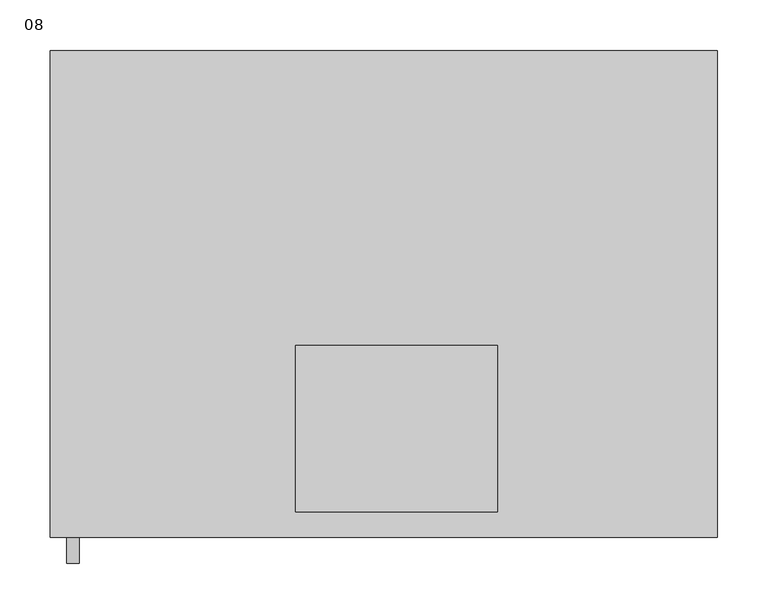
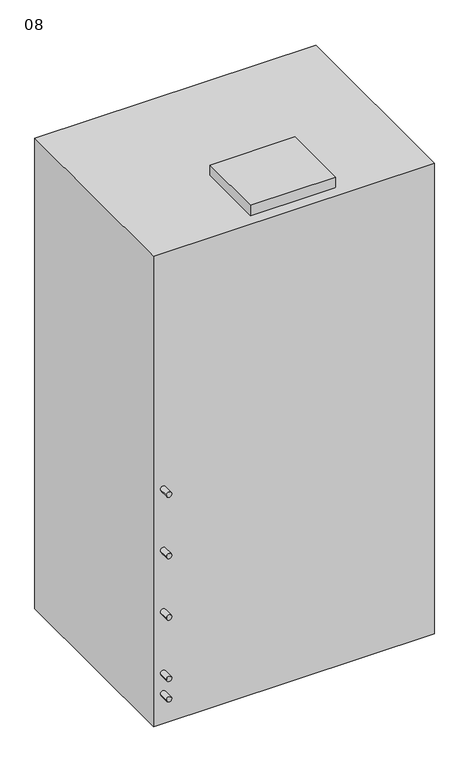
"""IFC4 building model written with IfcOpenShell, lengths in millimetres: proxy geometry, 08."""

import ifcopenshell
import ifcopenshell.guid

model = None  # the IFC model being written
_history = None  # IfcOwnerHistory: only IFC2X3 demands one
_inside = {}  # id of a spatial element -> (the spatial element, [elements in it])
_under = {}  # id of a project, library or spatial element -> (it, [spatial elements below it])
_declared = {}  # id of a project -> (the project, [libraries it declares])
_typed = {}  # id of a type object -> (the type object, [elements of that type])
_made_of = {}  # id of a material, layer set ... -> (it, [elements and type objects made of it])


def new_model(schema):
    """Start an empty IFC model of exactly this schema.

    Asked for "IFC4X3", IfcOpenShell would pick the latest addendum, in which some entities
    have other attributes; the version numbers below select the first issue.
    IFC2X3 requires an IfcOwnerHistory on every rooted entity: one is made here for all.
    """
    global model, _history
    if schema == "IFC4X3":
        model = ifcopenshell.file(schema_version=(4, 3, 0, 0))
    else:
        model = ifcopenshell.file(schema=schema)
    _inside.clear()
    _under.clear()
    _declared.clear()
    _typed.clear()
    _made_of.clear()
    _history = None
    if model.schema == "IFC2X3":
        org = make("IfcOrganization", Name="unknown")
        user = make(
            "IfcPersonAndOrganization",
            ThePerson=make("IfcPerson", FamilyName="unknown"),
            TheOrganization=org,
        )
        app = make(
            "IfcApplication",
            ApplicationDeveloper=org,
            Version="unknown",
            ApplicationFullName="unknown",
            ApplicationIdentifier="unknown",
        )
        _history = make(
            "IfcOwnerHistory",
            OwningUser=user,
            OwningApplication=app,
            ChangeAction="ADDED",
            CreationDate=0,
        )
    return model


def make(cls, **values):
    """One entity of the class cls with the attributes given. An attribute that is None is left unset."""
    return model.create_entity(
        cls, **{name: value for name, value in values.items() if value is not None}
    )


def rooted(cls, **values):
    """An entity with a GlobalId (a new one), such as an element, a storey or a relation."""
    return make(cls, GlobalId=ifcopenshell.guid.new(), OwnerHistory=_history, **values)


def si_unit(unit_type, name, prefix=None):
    """IfcSIUnit, for example si_unit("LENGTHUNIT", "METRE", prefix="MILLI")."""
    return make("IfcSIUnit", UnitType=unit_type, Prefix=prefix, Name=name)


def assignment(units):
    """IfcUnitAssignment: the units of a project."""
    return None if units is None else make("IfcUnitAssignment", Units=units)


def point(xyz):
    """IfcCartesianPoint."""
    return None if xyz is None else make("IfcCartesianPoint", Coordinates=xyz)


def direction(xyz):
    """IfcDirection."""
    return None if xyz is None else make("IfcDirection", DirectionRatios=xyz)


def frame(location, z_axis=None, x_axis=None):
    """IfcAxis2Placement3D, a coordinate frame: its origin and axes. An axis left out is left unset."""
    return make(
        "IfcAxis2Placement3D",
        Location=point(location),
        Axis=direction(z_axis),
        RefDirection=direction(x_axis),
    )


def frame_2d(location, x_axis=None):
    """IfcAxis2Placement2D, a coordinate frame in the plane: its origin and x axis."""
    return make(
        "IfcAxis2Placement2D", Location=point(location), RefDirection=direction(x_axis)
    )


def origin():
    """The frame at (0, 0, 0) with its axes left unset."""
    return frame((0.0, 0.0, 0.0))


def origin_with_axes():
    """The frame at (0, 0, 0) with the z axis (0, 0, 1) and the x axis (1, 0, 0) written out."""
    return frame((0.0, 0.0, 0.0), z_axis=(0.0, 0.0, 1.0), x_axis=(1.0, 0.0, 0.0))


def place(relative_to, where):
    """IfcLocalPlacement: puts the frame where relative to a parent placement (None: the world)."""
    return make(
        "IfcLocalPlacement", PlacementRelTo=relative_to, RelativePlacement=where
    )


def context(
    kind, dimensions, precision=None, world=None, true_north=None, identifier=None
):
    """IfcGeometricRepresentationContext, for example the 3D "Model" context."""
    return make(
        "IfcGeometricRepresentationContext",
        ContextIdentifier=identifier,
        ContextType=kind,
        CoordinateSpaceDimension=dimensions,
        Precision=precision,
        WorldCoordinateSystem=world,
        TrueNorth=true_north,
    )


def project(units=None, contexts=None):
    """IfcProject with its units and contexts."""
    return rooted(
        "IfcProject",
        Name="project",
        RepresentationContexts=contexts,
        UnitsInContext=assignment(units),
    )


def spatial(cls, under=None, at=None, **own):
    """A site, building, storey or space (cls), placed at a placement, below another one or the project."""
    s = rooted(cls, ObjectPlacement=at, **own)
    if under is not None:
        _under.setdefault(under.id(), (under, []))[1].append(s)
    return s


def polyline(points):
    """IfcPolyline through the points."""
    return make("IfcPolyline", Points=[point(p) for p in points])


def circle_curve(where, radius):
    """IfcCircle in the frame where."""
    return make("IfcCircle", Position=where, Radius=radius)


def trimmed(basis, trim1, trim2, sense, master):
    """IfcTrimmedCurve: the piece of a basis curve between two trims."""
    return make(
        "IfcTrimmedCurve",
        BasisCurve=basis,
        Trim1=trim1,
        Trim2=trim2,
        SenseAgreement=sense,
        MasterRepresentation=master,
    )


def segment(curve, same_sense, transition):
    """IfcCompositeCurveSegment."""
    return make(
        "IfcCompositeCurveSegment",
        Transition=transition,
        SameSense=same_sense,
        ParentCurve=curve,
    )


def composite_curve(segments, self_intersect=None):
    """IfcCompositeCurve: segments joined end to end."""
    return make("IfcCompositeCurve", Segments=segments, SelfIntersect=self_intersect)


def outline(outer, holes=None, kind="AREA"):
    """IfcArbitraryClosedProfileDef: a profile drawn as a closed curve; with holes, ...WithVoids."""
    if holes is None:
        return make("IfcArbitraryClosedProfileDef", ProfileType=kind, OuterCurve=outer)
    return make(
        "IfcArbitraryProfileDefWithVoids",
        ProfileType=kind,
        OuterCurve=outer,
        InnerCurves=holes,
    )


def extrude(swept, where, along, depth):
    """IfcExtrudedAreaSolid: the profile swept, set in the frame where, extruded along a direction by depth."""
    return make(
        "IfcExtrudedAreaSolid",
        SweptArea=swept,
        Position=where,
        ExtrudedDirection=direction(along),
        Depth=depth,
    )


def shape(context_of_items, identifier, shape_type, items):
    """IfcShapeRepresentation: the items that make up one representation, for example the "Body"."""
    return make(
        "IfcShapeRepresentation",
        ContextOfItems=context_of_items,
        RepresentationIdentifier=identifier,
        RepresentationType=shape_type,
        Items=items,
    )


def source(mapping_origin, context_of_items, identifier, shape_type, items):
    """IfcRepresentationMap: a shape defined once, which mapped items show again and again."""
    return make(
        "IfcRepresentationMap",
        MappingOrigin=mapping_origin,
        MappedRepresentation=shape(context_of_items, identifier, shape_type, items),
    )


def transform(
    local_origin,
    x_axis=None,
    y_axis=None,
    z_axis=None,
    scale=None,
    scale2=None,
    scale3=None,
    uniform=True,
):
    """IfcCartesianTransformationOperator3D, or its non-uniform kind. x_axis, y_axis, z_axis: its Axis1, 2, 3."""
    if uniform:
        return make(
            "IfcCartesianTransformationOperator3D",
            Axis1=direction(x_axis),
            Axis2=direction(y_axis),
            LocalOrigin=point(local_origin),
            Scale=scale,
            Axis3=direction(z_axis),
        )
    return make(
        "IfcCartesianTransformationOperator3DnonUniform",
        Axis1=direction(x_axis),
        Axis2=direction(y_axis),
        LocalOrigin=point(local_origin),
        Scale=scale,
        Axis3=direction(z_axis),
        Scale2=scale2,
        Scale3=scale3,
    )


def mapped(mapping_source, mapping_target):
    """IfcMappedItem: shows the shape of a source again, moved by a transform."""
    return make(
        "IfcMappedItem", MappingSource=mapping_source, MappingTarget=mapping_target
    )


def made_of(thing, what):
    """Note that an element or type object is made of a material, layer set ...; save() writes the relation."""
    if what is not None:
        _made_of.setdefault(what.id(), (what, []))[1].append(thing)
    return thing


def element(
    cls,
    number,
    at=None,
    inside=None,
    cuts=None,
    type_object=None,
    material=None,
    context=None,
    identifier="Body",
    shape_type=None,
    held_by="IfcProductDefinitionShape",
    body=None,
    shapes=None,
    **own,
):
    """One element of the class cls, such as IfcWall. Its Tag is "e" and its number.

    at: its placement. inside: the storey or other place that contains it. cuts: it is an
    opening in that element (IfcRelVoidsElement). A single representation is given by context,
    identifier, shape_type and body (its items); several are given by shapes. held_by: the class
    of the entity that holds the representations. save() writes the other relations.
    """
    e = rooted(cls, Tag="e%d" % number, ObjectPlacement=at, **own)
    if body is not None:
        shapes = [shape(context, identifier, shape_type, body)]
    if shapes is not None:
        e.Representation = make(held_by, Representations=shapes)
    if inside is not None:
        _inside.setdefault(inside.id(), (inside, []))[1].append(e)
    if cuts is not None:
        rooted(
            "IfcRelVoidsElement", RelatingBuildingElement=cuts, RelatedOpeningElement=e
        )
    if type_object is not None:
        _typed.setdefault(type_object.id(), (type_object, []))[1].append(e)
    return made_of(e, material)


def aggregate(whole, parts):
    """IfcRelAggregates: a whole, such as a stair, and the parts it consists of."""
    return rooted("IfcRelAggregates", RelatingObject=whole, RelatedObjects=parts)


def save(model, path):
    """Write the relations noted so far, then the file.

    IfcRelAggregates (storeys below a building ...), IfcRelContainedInSpatialStructure (elements
    in a storey), IfcRelDefinesByType, IfcRelAssociatesMaterial and IfcRelDeclares: one each for
    every whole, place, type object, material and project.
    """
    for whole, parts in _under.values():
        aggregate(whole, parts)
    for where, things in _inside.values():
        rooted(
            "IfcRelContainedInSpatialStructure",
            RelatedElements=things,
            RelatingStructure=where,
        )
    for kind, things in _typed.values():
        rooted("IfcRelDefinesByType", RelatedObjects=things, RelatingType=kind)
    for what, things in _made_of.values():
        rooted("IfcRelAssociatesMaterial", RelatedObjects=things, RelatingMaterial=what)
    for by, libraries in _declared.values():
        rooted("IfcRelDeclares", RelatingContext=by, RelatedDefinitions=libraries)
    model.write(path)


def proxy_08_b608327c(model_context):
    return source(origin(), model_context, "Body", "SweptSolid", [
        extrude(outline(polyline([(118.5566802, -215.9), (-81.4683198, -215.9), (-81.4683198, -50.8), (118.5566802, -50.8), (118.5566802, -215.9)])), frame((0.0, 0.0, 1168.4), z_axis=(0.0, 0.0, 1.0), x_axis=(1.0, 0.0, 0.0)), (0.0, 0.0, 1.0), 25.4),
        extrude(outline(polyline([(336.0441802, 241.3), (336.0441802, -241.3), (-324.3558198, -241.3), (-324.3558198, 241.3), (336.0441802, 241.3)])), origin_with_axes(), (0.0, 0.0, 1.0), 1168.4),
        extrude(outline(composite_curve([segment(trimmed(circle_curve(frame_2d((584.2, -302.1210582)), 6.35), [point((584.2, -295.7710582))], [point((584.2, -308.4710582))], False, "CARTESIAN"), True, "CONTINUOUS"), segment(trimmed(circle_curve(frame_2d((584.2, -302.1210582)), 6.35), [point((584.2, -308.4710582))], [point((584.2, -295.7710582))], False, "CARTESIAN"), True, "CONTINUOUS")], self_intersect=False)), frame((0.0, -266.7, 0.0), z_axis=(0.0, 1.0, 0.0), x_axis=(0.0, 0.0, 1.0)), (0.0, 0.0, 1.0), 25.4),
        extrude(outline(composite_curve([segment(trimmed(circle_curve(frame_2d((431.8, -302.1210582)), 6.35), [point((431.8, -295.7710582))], [point((431.8, -308.4710582))], False, "CARTESIAN"), True, "CONTINUOUS"), segment(trimmed(circle_curve(frame_2d((431.8, -302.1210582)), 6.35), [point((431.8, -308.4710582))], [point((431.8, -295.7710582))], False, "CARTESIAN"), True, "CONTINUOUS")], self_intersect=False)), frame((0.0, -266.7, 0.0), z_axis=(0.0, 1.0, 0.0), x_axis=(0.0, 0.0, 1.0)), (0.0, 0.0, 1.0), 25.4),
        extrude(outline(composite_curve([segment(trimmed(circle_curve(frame_2d((279.4, -302.1210582)), 6.35), [point((279.4, -295.7710582))], [point((279.4, -308.4710582))], False, "CARTESIAN"), True, "CONTINUOUS"), segment(trimmed(circle_curve(frame_2d((279.4, -302.1210582)), 6.35), [point((279.4, -308.4710582))], [point((279.4, -295.7710582))], False, "CARTESIAN"), True, "CONTINUOUS")], self_intersect=False)), frame((0.0, -266.7, 0.0), z_axis=(0.0, 1.0, 0.0), x_axis=(0.0, 0.0, 1.0)), (0.0, 0.0, 1.0), 25.4),
        extrude(outline(composite_curve([segment(trimmed(circle_curve(frame_2d((127.0, -302.1210582)), 6.35), [point((127.0, -295.7710582))], [point((127.0, -308.4710582))], False, "CARTESIAN"), True, "CONTINUOUS"), segment(trimmed(circle_curve(frame_2d((127.0, -302.1210582)), 6.35), [point((127.0, -308.4710582))], [point((127.0, -295.7710582))], False, "CARTESIAN"), True, "CONTINUOUS")], self_intersect=False)), frame((0.0, -266.7, 0.0), z_axis=(0.0, 1.0, 0.0), x_axis=(0.0, 0.0, 1.0)), (0.0, 0.0, 1.0), 25.4),
        extrude(outline(composite_curve([segment(trimmed(circle_curve(frame_2d((76.2, -302.1210582)), 6.35), [point((76.2, -295.7710582))], [point((76.2, -308.4710582))], False, "CARTESIAN"), True, "CONTINUOUS"), segment(trimmed(circle_curve(frame_2d((76.2, -302.1210582)), 6.35), [point((76.2, -308.4710582))], [point((76.2, -295.7710582))], False, "CARTESIAN"), True, "CONTINUOUS")], self_intersect=False)), frame((0.0, -266.7, 0.0), z_axis=(0.0, 1.0, 0.0), x_axis=(0.0, 0.0, 1.0)), (0.0, 0.0, 1.0), 25.4),
    ])


if __name__ == "__main__":
    model = new_model("IFC4")
    model_context = context("Model", 3, world=origin())
    ifc_project = project(units=[si_unit("LENGTHUNIT", "METRE", prefix="MILLI")], contexts=[model_context])
    site = spatial("IfcSite", under=ifc_project)
    building = spatial("IfcBuilding", under=site)
    placement = place(None, origin())
    proxy_08_shape = proxy_08_b608327c(model_context)
    element("IfcBuildingElementProxy", 1, Name="08", ObjectType="08", at=placement, inside=building, context=model_context, shape_type="MappedRepresentation", body=[
        mapped(proxy_08_shape, transform((0.0, 0.0, 0.0), x_axis=(1.0, 0.0, 0.0), y_axis=(0.0, 1.0, 0.0), z_axis=(0.0, 0.0, 1.0))),
    ])
    save(model, "model.ifc")
